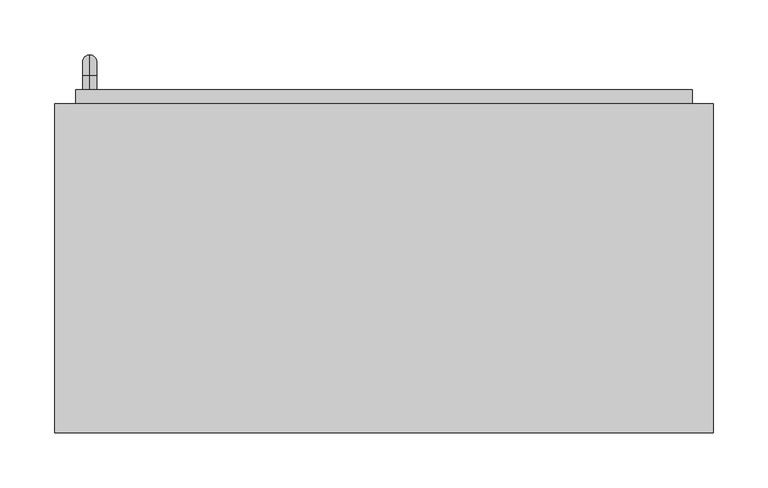
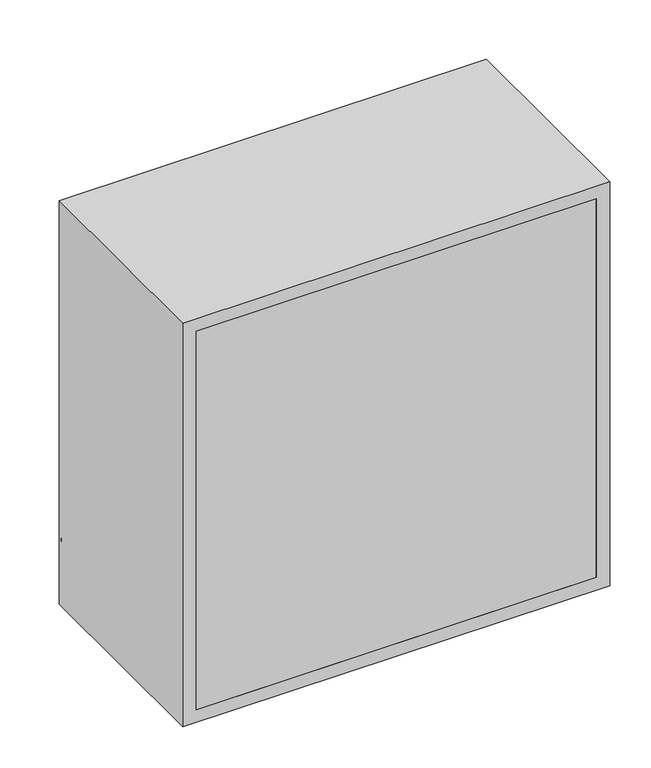
"""IFC4 building model written with IfcOpenShell, lengths in millimetres: furniture geometry."""

from ifc_helpers import new_model, si_unit, point, frame, origin, place, context, project, spatial, polyline, circle_curve, ellipse_curve, trimmed, outline, extrude, source, transform, mapped, element, save
from ifc_brep_helpers import plane_surface, cylinder_surface, revolved_surface, advanced_brep


def furniture_07423a54(model_context):
    return source(origin(), model_context, "Body", "SolidModel", [
        advanced_brep(
        [(-238.4788372, 385.2, 1546.05), (-238.4788372, 385.2, 1558.75), (-238.4788372, 397.9, 1546.05), (-238.4788372, 397.9, 1558.75), (-238.4788372, 416.95, 1539.7), (-238.4788372, 404.25, 1539.7), (-238.4788372, 404.25, 1463.5), (-238.4788372, 416.95, 1463.5), (-238.4788372, 397.9, 1444.45), (-238.4788372, 397.9, 1457.15), (-238.4788372, 385.2, 1457.15), (-238.4788372, 385.2, 1444.45)],
        [
            (0, 1, circle_curve(frame((-238.4788372, 385.2, 1552.4), z_axis=(0.0, -1.0, 0.0), x_axis=(0.0, 0.0, 1.0)), 6.35)),
            (1, 0, circle_curve(frame((-238.4788372, 385.2, 1552.4), z_axis=(0.0, -1.0, 0.0), x_axis=(0.0, 0.0, 1.0)), 6.35)),
            (0, 2),
            (2, 3, circle_curve(frame((-238.4788372, 397.9, 1552.4), z_axis=(0.0, -1.0, 0.0), x_axis=(0.0, 0.0, 1.0)), 6.35)),
            (3, 1),
            (3, 2, circle_curve(frame((-238.4788372, 397.9, 1552.4), z_axis=(0.0, -1.0, 0.0), x_axis=(0.0, 0.0, 1.0)), 6.35)),
            (4, 3, circle_curve(frame((-238.4788372, 397.9, 1539.7), z_axis=(1.0, 0.0, 0.0), x_axis=(0.0, 0.0, 1.0)), 19.05)),
            (2, 5, circle_curve(frame((-238.4788372, 397.9, 1539.7), z_axis=(-1.0, 0.0, 0.0), x_axis=(0.0, 0.0, 1.0)), 6.35)),
            (5, 4, circle_curve(frame((-238.4788372, 410.6, 1539.7), z_axis=(0.0, 0.0, 1.0), x_axis=(0.0, 1.0, 0.0)), 6.35)),
            (4, 5, circle_curve(frame((-238.4788372, 410.6, 1539.7), z_axis=(0.0, 0.0, 1.0), x_axis=(0.0, 1.0, 0.0)), 6.35)),
            (5, 6),
            (6, 7, circle_curve(frame((-238.4788372, 410.6, 1463.5), z_axis=(0.0, 0.0, 1.0), x_axis=(0.0, 1.0, 0.0)), 6.35)),
            (7, 4),
            (7, 6, circle_curve(frame((-238.4788372, 410.6, 1463.5), z_axis=(0.0, 0.0, 1.0), x_axis=(0.0, 1.0, 0.0)), 6.35)),
            (8, 7, circle_curve(frame((-238.4788372, 397.9, 1463.5), z_axis=(1.0, 0.0, 0.0), x_axis=(0.0, 1.0, 0.0)), 19.05)),
            (6, 9, circle_curve(frame((-238.4788372, 397.9, 1463.5), z_axis=(-1.0, 0.0, 0.0), x_axis=(0.0, 1.0, 0.0)), 6.35)),
            (9, 8, circle_curve(frame((-238.4788372, 397.9, 1450.8), z_axis=(0.0, 1.0, 0.0), x_axis=(0.0, 0.0, -1.0)), 6.35)),
            (8, 9, circle_curve(frame((-238.4788372, 397.9, 1450.8), z_axis=(0.0, 1.0, 0.0), x_axis=(0.0, 0.0, -1.0)), 6.35)),
            (10, 11, circle_curve(frame((-238.4788372, 385.2, 1450.8), z_axis=(0.0, -1.0, 0.0), x_axis=(0.0, 0.0, -1.0)), 6.35)),
            (11, 10, circle_curve(frame((-238.4788372, 385.2, 1450.8), z_axis=(0.0, -1.0, 0.0), x_axis=(0.0, 0.0, -1.0)), 6.35)),
            (9, 10),
            (11, 8),
        ],
        [
            plane_surface(frame((-244.8288372, 385.2, 1552.4), z_axis=(0.0, -1.0, 0.0), x_axis=(0.0, 0.0, 1.0))),
            cylinder_surface(frame((-238.4788372, 385.2, 1552.4), z_axis=(0.0, -1.0, 0.0), x_axis=(0.0, 0.0, 1.0)), 6.35),
            revolved_surface(trimmed(ellipse_curve(frame((-238.4788372, 397.9, 1552.4), z_axis=(0.0, -1.0, 0.0), x_axis=(0.0, 0.0, 1.0)), 6.35, 6.35), [point((-238.4788372, 397.9, 1546.05))], [point((-238.4788372, 397.9, 1558.75))], True, "CARTESIAN"), (-238.4788372, 397.9, 1539.7), (-1.0, 0.0, 0.0)),
            revolved_surface(trimmed(ellipse_curve(frame((-238.4788372, 397.9, 1552.4), z_axis=(0.0, -1.0, 0.0), x_axis=(0.0, 0.0, 1.0)), 6.35, 6.35), [point((-238.4788372, 397.9, 1558.75))], [point((-238.4788372, 397.9, 1546.05))], True, "CARTESIAN"), (-238.4788372, 397.9, 1539.7), (-1.0, 0.0, 0.0)),
            cylinder_surface(frame((-238.4788372, 410.6, 1539.7), z_axis=(0.0, 0.0, 1.0), x_axis=(0.0, 1.0, 0.0)), 6.35),
            revolved_surface(trimmed(ellipse_curve(frame((-238.4788372, 410.6, 1463.5), z_axis=(0.0, 0.0, 1.0), x_axis=(0.0, 1.0, 0.0)), 6.35, 6.35), [point((-238.4788372, 404.25, 1463.5))], [point((-238.4788372, 416.95, 1463.5))], True, "CARTESIAN"), (-238.4788372, 397.9, 1463.5), (-1.0, 0.0, 0.0)),
            revolved_surface(trimmed(ellipse_curve(frame((-238.4788372, 410.6, 1463.5), z_axis=(0.0, 0.0, 1.0), x_axis=(0.0, 1.0, 0.0)), 6.35, 6.35), [point((-238.4788372, 416.95, 1463.5))], [point((-238.4788372, 404.25, 1463.5))], True, "CARTESIAN"), (-238.4788372, 397.9, 1463.5), (-1.0, 0.0, 0.0)),
            plane_surface(frame((-244.8288372, 385.2, 1450.8), z_axis=(0.0, -1.0, 0.0), x_axis=(0.0, 0.0, -1.0))),
            cylinder_surface(frame((-238.4788372, 397.9, 1450.8), z_axis=(0.0, 1.0, 0.0), x_axis=(0.0, 0.0, -1.0)), 6.35),
        ],
        [
            (0, [[1, 2]]),
            (1, [[-1, 3, 4, 5]]),
            (1, [[-2, -5, 6, -3]]),
            (2, [[7, -4, 8, 9]]),
            (3, [[-8, -6, -7, 10]]),
            (4, [[-9, 11, 12, 13]]),
            (4, [[-10, -13, 14, -11]]),
            (5, [[15, -12, 16, 17]]),
            (6, [[-16, -14, -15, 18]]),
            (7, [[19, 20]]),
            (8, [[-17, 21, -20, 22]]),
            (8, [[-18, -22, -19, -21]]),
        ],
    ),
        extrude(outline(polyline([(-251.1788372, 385.2), (310.7211628, 385.2), (310.7211628, 353.45), (-251.1788372, 353.45), (-251.1788372, 385.2)])), frame((0.0, 0.0, 1419.05), z_axis=(0.0, 0.0, 1.0), x_axis=(1.0, 0.0, 0.0)), (0.0, 0.0, 1.0), 561.9),
        extrude(outline(polyline([(310.7211628, 72.5), (-251.1788372, 72.5), (-251.1788372, 91.55), (310.7211628, 91.55), (310.7211628, 72.5)])), frame((0.0, 0.0, 1419.05), z_axis=(0.0, 0.0, 1.0), x_axis=(1.0, 0.0, 0.0)), (0.0, 0.0, 1.0), 561.9),
        extrude(outline(polyline([(2000.0, -270.2288372), (1400.0, -270.2288372), (1400.0, 329.7711628), (2000.0, 329.7711628), (2000.0, -270.2288372)]), holes=[polyline([(1980.95, -251.1788372), (1980.95, 310.7211628), (1419.05, 310.7211628), (1419.05, -251.1788372), (1980.95, -251.1788372)])]), frame((0.0, 72.5, 0.0), z_axis=(0.0, 1.0, 0.0), x_axis=(0.0, 0.0, 1.0)), (0.0, 0.0, 1.0), 300.0),
    ])


if __name__ == "__main__":
    model = new_model("IFC4")
    model_context = context("Model", 3, world=origin())
    ifc_project = project(units=[si_unit("LENGTHUNIT", "METRE", prefix="MILLI")], contexts=[model_context])
    site = spatial("IfcSite", under=ifc_project)
    building = spatial("IfcBuilding", under=site)
    placement = place(None, origin())
    furniture_shape = furniture_07423a54(model_context)
    element("IfcFurniture", 1, at=placement, inside=building, context=model_context, shape_type="MappedRepresentation", body=[
        mapped(furniture_shape, transform((0.0, 0.0, 0.0), x_axis=(1.0, 0.0, 0.0), y_axis=(0.0, 1.0, 0.0), z_axis=(0.0, 0.0, 1.0))),
    ])
    save(model, "model.ifc")
